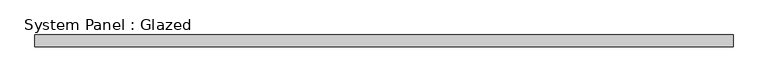
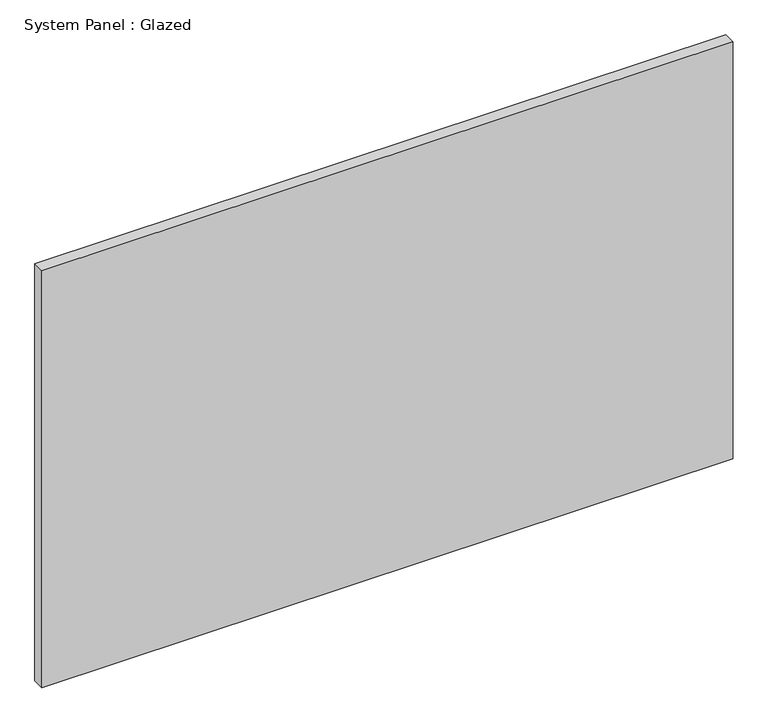
"""IFC4 building model written with IfcOpenShell, lengths in millimetres: plate geometry, System Panel : Glazed."""

import ifcopenshell
import ifcopenshell.guid

model = None  # the IFC model being written
_history = None  # IfcOwnerHistory: only IFC2X3 demands one
_inside = {}  # id of a spatial element -> (the spatial element, [elements in it])
_under = {}  # id of a project, library or spatial element -> (it, [spatial elements below it])
_declared = {}  # id of a project -> (the project, [libraries it declares])
_typed = {}  # id of a type object -> (the type object, [elements of that type])
_made_of = {}  # id of a material, layer set ... -> (it, [elements and type objects made of it])


def new_model(schema):
    """Start an empty IFC model of exactly this schema.

    Asked for "IFC4X3", IfcOpenShell would pick the latest addendum, in which some entities
    have other attributes; the version numbers below select the first issue.
    IFC2X3 requires an IfcOwnerHistory on every rooted entity: one is made here for all.
    """
    global model, _history
    if schema == "IFC4X3":
        model = ifcopenshell.file(schema_version=(4, 3, 0, 0))
    else:
        model = ifcopenshell.file(schema=schema)
    _inside.clear()
    _under.clear()
    _declared.clear()
    _typed.clear()
    _made_of.clear()
    _history = None
    if model.schema == "IFC2X3":
        org = make("IfcOrganization", Name="unknown")
        user = make(
            "IfcPersonAndOrganization",
            ThePerson=make("IfcPerson", FamilyName="unknown"),
            TheOrganization=org,
        )
        app = make(
            "IfcApplication",
            ApplicationDeveloper=org,
            Version="unknown",
            ApplicationFullName="unknown",
            ApplicationIdentifier="unknown",
        )
        _history = make(
            "IfcOwnerHistory",
            OwningUser=user,
            OwningApplication=app,
            ChangeAction="ADDED",
            CreationDate=0,
        )
    return model


def make(cls, **values):
    """One entity of the class cls with the attributes given. An attribute that is None is left unset."""
    return model.create_entity(
        cls, **{name: value for name, value in values.items() if value is not None}
    )


def rooted(cls, **values):
    """An entity with a GlobalId (a new one), such as an element, a storey or a relation."""
    return make(cls, GlobalId=ifcopenshell.guid.new(), OwnerHistory=_history, **values)


def si_unit(unit_type, name, prefix=None):
    """IfcSIUnit, for example si_unit("LENGTHUNIT", "METRE", prefix="MILLI")."""
    return make("IfcSIUnit", UnitType=unit_type, Prefix=prefix, Name=name)


def assignment(units):
    """IfcUnitAssignment: the units of a project."""
    return None if units is None else make("IfcUnitAssignment", Units=units)


def point(xyz):
    """IfcCartesianPoint."""
    return None if xyz is None else make("IfcCartesianPoint", Coordinates=xyz)


def direction(xyz):
    """IfcDirection."""
    return None if xyz is None else make("IfcDirection", DirectionRatios=xyz)


def frame(location, z_axis=None, x_axis=None):
    """IfcAxis2Placement3D, a coordinate frame: its origin and axes. An axis left out is left unset."""
    return make(
        "IfcAxis2Placement3D",
        Location=point(location),
        Axis=direction(z_axis),
        RefDirection=direction(x_axis),
    )


def origin():
    """The frame at (0, 0, 0) with its axes left unset."""
    return frame((0.0, 0.0, 0.0))


def origin_with_axes():
    """The frame at (0, 0, 0) with the z axis (0, 0, 1) and the x axis (1, 0, 0) written out."""
    return frame((0.0, 0.0, 0.0), z_axis=(0.0, 0.0, 1.0), x_axis=(1.0, 0.0, 0.0))


def place(relative_to, where):
    """IfcLocalPlacement: puts the frame where relative to a parent placement (None: the world)."""
    return make(
        "IfcLocalPlacement", PlacementRelTo=relative_to, RelativePlacement=where
    )


def context(
    kind, dimensions, precision=None, world=None, true_north=None, identifier=None
):
    """IfcGeometricRepresentationContext, for example the 3D "Model" context."""
    return make(
        "IfcGeometricRepresentationContext",
        ContextIdentifier=identifier,
        ContextType=kind,
        CoordinateSpaceDimension=dimensions,
        Precision=precision,
        WorldCoordinateSystem=world,
        TrueNorth=true_north,
    )


def project(units=None, contexts=None):
    """IfcProject with its units and contexts."""
    return rooted(
        "IfcProject",
        Name="project",
        RepresentationContexts=contexts,
        UnitsInContext=assignment(units),
    )


def spatial(cls, under=None, at=None, **own):
    """A site, building, storey or space (cls), placed at a placement, below another one or the project."""
    s = rooted(cls, ObjectPlacement=at, **own)
    if under is not None:
        _under.setdefault(under.id(), (under, []))[1].append(s)
    return s


def polyline(points):
    """IfcPolyline through the points."""
    return make("IfcPolyline", Points=[point(p) for p in points])


def outline(outer, holes=None, kind="AREA"):
    """IfcArbitraryClosedProfileDef: a profile drawn as a closed curve; with holes, ...WithVoids."""
    if holes is None:
        return make("IfcArbitraryClosedProfileDef", ProfileType=kind, OuterCurve=outer)
    return make(
        "IfcArbitraryProfileDefWithVoids",
        ProfileType=kind,
        OuterCurve=outer,
        InnerCurves=holes,
    )


def extrude(swept, where, along, depth):
    """IfcExtrudedAreaSolid: the profile swept, set in the frame where, extruded along a direction by depth."""
    return make(
        "IfcExtrudedAreaSolid",
        SweptArea=swept,
        Position=where,
        ExtrudedDirection=direction(along),
        Depth=depth,
    )


def shape(context_of_items, identifier, shape_type, items):
    """IfcShapeRepresentation: the items that make up one representation, for example the "Body"."""
    return make(
        "IfcShapeRepresentation",
        ContextOfItems=context_of_items,
        RepresentationIdentifier=identifier,
        RepresentationType=shape_type,
        Items=items,
    )


def source(mapping_origin, context_of_items, identifier, shape_type, items):
    """IfcRepresentationMap: a shape defined once, which mapped items show again and again."""
    return make(
        "IfcRepresentationMap",
        MappingOrigin=mapping_origin,
        MappedRepresentation=shape(context_of_items, identifier, shape_type, items),
    )


def transform(
    local_origin,
    x_axis=None,
    y_axis=None,
    z_axis=None,
    scale=None,
    scale2=None,
    scale3=None,
    uniform=True,
):
    """IfcCartesianTransformationOperator3D, or its non-uniform kind. x_axis, y_axis, z_axis: its Axis1, 2, 3."""
    if uniform:
        return make(
            "IfcCartesianTransformationOperator3D",
            Axis1=direction(x_axis),
            Axis2=direction(y_axis),
            LocalOrigin=point(local_origin),
            Scale=scale,
            Axis3=direction(z_axis),
        )
    return make(
        "IfcCartesianTransformationOperator3DnonUniform",
        Axis1=direction(x_axis),
        Axis2=direction(y_axis),
        LocalOrigin=point(local_origin),
        Scale=scale,
        Axis3=direction(z_axis),
        Scale2=scale2,
        Scale3=scale3,
    )


def mapped(mapping_source, mapping_target):
    """IfcMappedItem: shows the shape of a source again, moved by a transform."""
    return make(
        "IfcMappedItem", MappingSource=mapping_source, MappingTarget=mapping_target
    )


def made_of(thing, what):
    """Note that an element or type object is made of a material, layer set ...; save() writes the relation."""
    if what is not None:
        _made_of.setdefault(what.id(), (what, []))[1].append(thing)
    return thing


def element(
    cls,
    number,
    at=None,
    inside=None,
    cuts=None,
    type_object=None,
    material=None,
    context=None,
    identifier="Body",
    shape_type=None,
    held_by="IfcProductDefinitionShape",
    body=None,
    shapes=None,
    **own,
):
    """One element of the class cls, such as IfcWall. Its Tag is "e" and its number.

    at: its placement. inside: the storey or other place that contains it. cuts: it is an
    opening in that element (IfcRelVoidsElement). A single representation is given by context,
    identifier, shape_type and body (its items); several are given by shapes. held_by: the class
    of the entity that holds the representations. save() writes the other relations.
    """
    e = rooted(cls, Tag="e%d" % number, ObjectPlacement=at, **own)
    if body is not None:
        shapes = [shape(context, identifier, shape_type, body)]
    if shapes is not None:
        e.Representation = make(held_by, Representations=shapes)
    if inside is not None:
        _inside.setdefault(inside.id(), (inside, []))[1].append(e)
    if cuts is not None:
        rooted(
            "IfcRelVoidsElement", RelatingBuildingElement=cuts, RelatedOpeningElement=e
        )
    if type_object is not None:
        _typed.setdefault(type_object.id(), (type_object, []))[1].append(e)
    return made_of(e, material)


def aggregate(whole, parts):
    """IfcRelAggregates: a whole, such as a stair, and the parts it consists of."""
    return rooted("IfcRelAggregates", RelatingObject=whole, RelatedObjects=parts)


def save(model, path):
    """Write the relations noted so far, then the file.

    IfcRelAggregates (storeys below a building ...), IfcRelContainedInSpatialStructure (elements
    in a storey), IfcRelDefinesByType, IfcRelAssociatesMaterial and IfcRelDeclares: one each for
    every whole, place, type object, material and project.
    """
    for whole, parts in _under.values():
        aggregate(whole, parts)
    for where, things in _inside.values():
        rooted(
            "IfcRelContainedInSpatialStructure",
            RelatedElements=things,
            RelatingStructure=where,
        )
    for kind, things in _typed.values():
        rooted("IfcRelDefinesByType", RelatedObjects=things, RelatingType=kind)
    for what, things in _made_of.values():
        rooted("IfcRelAssociatesMaterial", RelatedObjects=things, RelatingMaterial=what)
    for by, libraries in _declared.values():
        rooted("IfcRelDeclares", RelatingContext=by, RelatedDefinitions=libraries)
    model.write(path)


def system_panel_glazed_4dcab257(model_context):
    return source(origin(), model_context, "Body", "SweptSolid", [
        extrude(outline(polyline([(725.0, 24.5), (-725.0, 24.5), (-725.0, 49.5), (725.0, 49.5), (725.0, 24.5)])), origin_with_axes(), (0.0, 0.0, 1.0), 925.0),
    ])


if __name__ == "__main__":
    model = new_model("IFC4")
    model_context = context("Model", 3, world=origin())
    ifc_project = project(units=[si_unit("LENGTHUNIT", "METRE", prefix="MILLI")], contexts=[model_context])
    site = spatial("IfcSite", under=ifc_project)
    building = spatial("IfcBuilding", under=site)
    placement = place(None, origin())
    system_panel_glazed_shape = system_panel_glazed_4dcab257(model_context)
    element("IfcPlate", 1, ObjectType="System Panel : Glazed", at=placement, inside=building, context=model_context, shape_type="MappedRepresentation", body=[
        mapped(system_panel_glazed_shape, transform((0.0, 0.0, 0.0), x_axis=(1.0, 0.0, 0.0), y_axis=(0.0, 1.0, 0.0), z_axis=(0.0, 0.0, 1.0))),
    ])
    save(model, "model.ifc")
